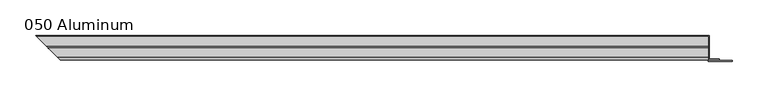
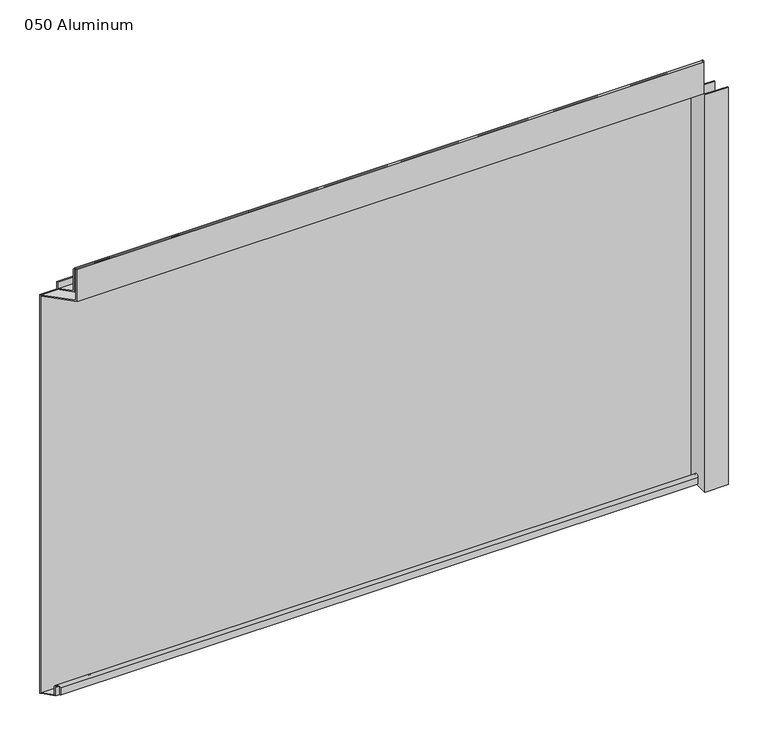
"""IFC4 building model written with IfcOpenShell, lengths in millimetres: plate geometry, 050 Aluminum."""

from ifc_helpers import new_model, si_unit, frame, origin, origin_with_axes, place, context, project, spatial, polyline, circle_curve, ellipse_curve, outline, extrude, source, transform, mapped, element, save
from ifc_brep_helpers import plane_surface, cylinder_surface, revolved_surface, advanced_brep


def plate_050_aluminum_607165d4(model_context):
    return source(origin(), model_context, "Body", "SolidModel", [
        advanced_brep(
        [(445.1549999, 16.6765477, 13.1458337), (445.1549999, 16.6765477, 2.786437), (445.1549999, 17.9464915, 2.786437), (445.1549999, 17.9464915, 13.1323356), (445.1549999, 21.7564743, 13.124237), (445.1549999, 21.7564743, 0.0), (445.1549999, 34.7980002, 0.0), (445.1549999, 34.7980002, 1.2693678), (445.1549999, 23.0264743, 1.2693678), (445.1549999, 23.0264743, 13.124237), (-475.8015477, 16.6765477, 13.1458337), (-475.8015477, 16.6765477, 2.786437), (-477.0714914, 17.9464915, 2.786437), (-477.0714914, 17.9464915, 13.1323356), (-480.8814742, 21.7564743, 13.124237), (-480.8814742, 21.7564743, 0.0), (-493.9229999, 34.798, 0.0), (-493.9230001, 34.7980002, 1.2693678), (-482.1514742, 23.0264743, 1.2693678), (-482.1514742, 23.0264743, 13.124237)],
        [
            (0, 1),
            (1, 2),
            (2, 3),
            (3, 4, circle_curve(frame((445.1549999, 19.8514743, 13.124237), z_axis=(-1.0, 0.0, 0.0), x_axis=(0.0, 0.0, -1.0)), 1.905)),
            (4, 5),
            (5, 6),
            (6, 7),
            (7, 8),
            (8, 9),
            (9, 0, circle_curve(frame((445.1549999, 19.8514743, 13.124237), z_axis=(1.0, 0.0, 0.0), x_axis=(0.0, 0.0, -1.0)), 3.175)),
            (0, 10),
            (10, 11),
            (11, 1),
            (11, 12),
            (12, 2),
            (12, 13),
            (13, 3),
            (13, 14, ellipse_curve(frame((-478.9764742, 19.8514743, 13.124237), z_axis=(-0.7071067811865466, -0.7071067811865485, 0.0), x_axis=(0.7071067811865485, -0.7071067811865466, 0.0)), 2.6940768, 1.905)),
            (14, 4),
            (14, 15),
            (15, 5),
            (15, 16),
            (16, 6),
            (16, 17),
            (17, 7),
            (17, 18),
            (18, 8),
            (18, 19),
            (19, 9),
            (19, 10, ellipse_curve(frame((-478.9764742, 19.8514743, 13.124237), z_axis=(0.7071067811865466, 0.7071067811865485, 0.0), x_axis=(-0.7071067811865485, 0.7071067811865466, 0.0)), 4.4901281, 3.175)),
        ],
        [
            plane_surface(frame((445.1549999, 36.068, 0.0), z_axis=(1.0, 0.0, 0.0), x_axis=(0.0, 0.0, 1.0))),
            plane_surface(frame((-493.9229999, 16.6765477, 13.1458337), z_axis=(0.0, -1.0, 0.0), x_axis=(1.0, 0.0, 0.0))),
            plane_surface(frame((-493.9229999, 16.6765477, 2.786437), z_axis=(0.0, 0.0, -1.0), x_axis=(1.0, 0.0, 0.0))),
            plane_surface(frame((-493.9229999, 17.9464915, 2.786437), z_axis=(0.0, 1.0, 0.0), x_axis=(1.0, 0.0, 0.0))),
            revolved_surface(polyline([(445.15499990000006, 19.8514743, 11.219237000000001), (-480.8814742, 19.8514743, 11.219237000000001)]), (-493.9229999, 19.8514743, 13.124237), (1.0, 0.0, 0.0)),
            plane_surface(frame((-493.9229999, 21.7564743, 13.124237), z_axis=(0.0, -1.0, 0.0), x_axis=(1.0, 0.0, 0.0))),
            plane_surface(frame((-493.9229999, 21.7564743, 0.0), z_axis=(0.0, 0.0, -1.0), x_axis=(1.0, 0.0, 0.0))),
            plane_surface(frame((-493.9229999, 34.7980002, 0.0), z_axis=(0.0, 1.0, 0.0), x_axis=(1.0, 0.0, 0.0))),
            plane_surface(frame((-493.9229999, 34.7980002, 1.2693678), z_axis=(0.0, 0.0, 1.0), x_axis=(1.0, 0.0, 0.0))),
            plane_surface(frame((-493.9229999, 23.0264743, 1.2693678), z_axis=(0.0, 1.0, 0.0), x_axis=(1.0, 0.0, 0.0))),
            cylinder_surface(frame((-493.9229999, 19.8514743, 13.124237), z_axis=(-1.0, 0.0, 0.0), x_axis=(0.0, 0.0, -1.0)), 3.175),
            plane_surface(frame((-495.1929999, 36.068, 795.4549971), z_axis=(-0.7071067811865466, -0.7071067811865485, 0.0), x_axis=(0.0, 0.0, -1.0))),
        ],
        [
            (0, [[1, 2, 3, 4, 5, 6, 7, 8, 9, 10]]),
            (1, [[11, 12, 13, -1]]),
            (2, [[-13, 14, 15, -2]]),
            (3, [[-15, 16, 17, -3]]),
            (4, [[-17, 18, 19, -4]]),
            (5, [[-19, 20, 21, -5]]),
            (6, [[-21, 22, 23, -6]]),
            (7, [[-23, 24, 25, -7]]),
            (8, [[-25, 26, 27, -8]]),
            (9, [[-27, 28, 29, -9]]),
            (10, [[-29, 30, -11, -10]]),
            (11, [[-30, -28, -26, -24, -22, -20, -18, -16, -14, -12]]),
        ],
    ),
        advanced_brep(
        [(445.1549999, 2.0574743, 656.7932001), (445.1549999, 2.0574743, 608.33), (445.1549999, 34.7980002, 608.33), (445.1549999, 34.7980002, 609.6000001), (445.1549999, 3.3274743, 609.6000001), (445.1549999, 3.3274743, 656.7932001), (445.1549999, 4.0894742, 656.7932001), (445.1549999, 4.0894742, 622.3), (445.1549999, 20.4864742, 622.3), (445.1549999, 20.4864742, 633.6538), (445.1549999, 19.2164743, 633.6538), (445.1549999, 19.2164743, 623.57), (445.1549999, 5.3594742, 623.57), (445.1549999, 5.3594742, 656.7932001), (-461.1824742, 2.0574743, 656.7932001), (-461.1824742, 2.0574743, 608.33), (-493.9229999, 34.798, 608.33), (-493.9230001, 34.7980002, 609.6000001), (-462.4524742, 3.3274743, 609.6000001), (-462.4524742, 3.3274743, 656.7932001), (-463.2144741, 4.0894742, 656.7932001), (-463.2144741, 4.0894742, 622.3), (-479.6114742, 20.4864742, 622.3), (-479.6114742, 20.4864742, 633.6538), (-478.3414742, 19.2164743, 633.6538), (-478.3414742, 19.2164743, 623.57), (-464.4844741, 5.3594742, 623.57), (-464.4844741, 5.3594742, 656.7932001)],
        [
            (0, 1),
            (1, 2),
            (2, 3),
            (3, 4),
            (4, 5),
            (5, 6, circle_curve(frame((445.1549999, 3.7084742, 656.7932001), z_axis=(-1.0, 0.0, 0.0), x_axis=(0.0, 0.0, -1.0)), 0.3809999)),
            (6, 7),
            (7, 8),
            (8, 9),
            (9, 10),
            (10, 11),
            (11, 12),
            (12, 13),
            (13, 0, circle_curve(frame((445.1549999, 3.7084742, 656.7932001), z_axis=(1.0, 0.0, 0.0), x_axis=(0.0, 0.0, -1.0)), 1.6509999)),
            (0, 14),
            (14, 15),
            (15, 1),
            (15, 16),
            (16, 2),
            (16, 17),
            (17, 3),
            (17, 18),
            (18, 4),
            (18, 19),
            (19, 5),
            (19, 20, ellipse_curve(frame((-462.8334742, 3.7084742, 656.7932001), z_axis=(-0.7071067811865466, -0.7071067811865485, 0.0), x_axis=(0.7071067811865485, -0.7071067811865466, 0.0)), 0.5388153, 0.3809999)),
            (20, 6),
            (20, 21),
            (21, 7),
            (21, 22),
            (22, 8),
            (22, 23),
            (23, 9),
            (23, 24),
            (24, 10),
            (24, 25),
            (25, 11),
            (25, 26),
            (26, 12),
            (26, 27),
            (27, 13),
            (27, 14, ellipse_curve(frame((-462.8334742, 3.7084742, 656.7932001), z_axis=(0.7071067811865466, 0.7071067811865485, 0.0), x_axis=(-0.7071067811865485, 0.7071067811865466, 0.0)), 2.3348665, 1.6509999)),
        ],
        [
            plane_surface(frame((445.1549999, 36.068, 609.6), z_axis=(1.0, 0.0, 0.0), x_axis=(0.0, 0.0, 1.0))),
            plane_surface(frame((-493.9229999, 2.0574743, 656.7932001), z_axis=(0.0, -1.0, 0.0), x_axis=(1.0, 0.0, 0.0))),
            plane_surface(frame((-493.9229999, 2.0574743, 608.33), z_axis=(0.0, 0.0, -1.0), x_axis=(1.0, 0.0, 0.0))),
            plane_surface(frame((-493.9229999, 34.7980002, 608.33), z_axis=(0.0, 1.0, 0.0), x_axis=(1.0, 0.0, 0.0))),
            plane_surface(frame((-493.9229999, 34.7980002, 609.6000001), z_axis=(0.0, 0.0, 1.0), x_axis=(1.0, 0.0, 0.0))),
            plane_surface(frame((-493.9229999, 3.3274743, 609.6000001), z_axis=(0.0, 1.0, 0.0), x_axis=(1.0, 0.0, 0.0))),
            revolved_surface(polyline([(445.15499990000006, 3.7084742, 656.4122002), (-463.2144741524371, 3.7084742, 656.4122002)]), (-493.9229999, 3.7084742, 656.7932001), (1.0, 0.0, 0.0)),
            plane_surface(frame((-493.9229999, 4.0894742, 656.7932001), z_axis=(0.0, -1.0, 0.0), x_axis=(1.0, 0.0, 0.0))),
            plane_surface(frame((-493.9229999, 4.0894742, 622.3), z_axis=(0.0, 0.0, -1.0), x_axis=(1.0, 0.0, 0.0))),
            plane_surface(frame((-493.9229999, 20.4864742, 622.3), z_axis=(0.0, 1.0, 0.0), x_axis=(1.0, 0.0, 0.0))),
            plane_surface(frame((-493.9229999, 20.4864742, 633.6538), z_axis=(0.0, 0.0, 1.0), x_axis=(1.0, 0.0, 0.0))),
            plane_surface(frame((-493.9229999, 19.2164743, 633.6538), z_axis=(0.0, -1.0, 0.0), x_axis=(1.0, 0.0, 0.0))),
            plane_surface(frame((-493.9229999, 19.2164743, 623.57), z_axis=(0.0, 0.0, 1.0), x_axis=(1.0, 0.0, 0.0))),
            plane_surface(frame((-493.9229999, 5.3594742, 623.57), z_axis=(0.0, 1.0, 0.0), x_axis=(1.0, 0.0, 0.0))),
            cylinder_surface(frame((-493.9229999, 3.7084742, 656.7932001), z_axis=(-1.0, 0.0, 0.0), x_axis=(0.0, 0.0, -1.0)), 1.6509999),
            plane_surface(frame((-495.1929999, 36.068, 795.4549971), z_axis=(-0.7071067811865466, -0.7071067811865485, 0.0), x_axis=(0.0, 0.0, -1.0))),
        ],
        [
            (0, [[1, 2, 3, 4, 5, 6, 7, 8, 9, 10, 11, 12, 13, 14]]),
            (1, [[15, 16, 17, -1]]),
            (2, [[-17, 18, 19, -2]]),
            (3, [[-19, 20, 21, -3]]),
            (4, [[-21, 22, 23, -4]]),
            (5, [[-23, 24, 25, -5]]),
            (6, [[-25, 26, 27, -6]]),
            (7, [[-27, 28, 29, -7]]),
            (8, [[-29, 30, 31, -8]]),
            (9, [[-31, 32, 33, -9]]),
            (10, [[-33, 34, 35, -10]]),
            (11, [[-35, 36, 37, -11]]),
            (12, [[-37, 38, 39, -12]]),
            (13, [[-39, 40, 41, -13]]),
            (14, [[-41, 42, -15, -14]]),
            (15, [[-42, -40, -38, -36, -34, -32, -30, -28, -26, -24, -22, -20, -18, -16]]),
        ],
    ),
        extrude(outline(polyline([(446.4249999, 34.7980001), (-493.923, 34.7980001), (-495.1929999, 36.068), (446.4249999, 36.068), (446.4249999, 34.7980001)])), origin_with_axes(), (0.0, 0.0, 1.0), 609.6),
        extrude(outline(polyline([(446.4249999, 1.2699999), (478.9370856, 1.2699999), (478.9370856, 0.0), (445.155, 0.0), (445.155, 34.7980002), (446.4249999, 34.7980002), (446.4249999, 1.2699999)])), origin_with_axes(), (0.0, 0.0, 1.0), 608.33),
        extrude(outline(polyline([(445.1549999, 3.3274743), (460.9029998, 3.3274743), (460.9029998, 2.0574743), (445.1549999, 2.0574743), (445.1549999, 3.3274743)])), origin_with_axes(), (0.0, 0.0, 1.0), 622.3),
    ])


if __name__ == "__main__":
    model = new_model("IFC4")
    model_context = context("Model", 3, world=origin())
    ifc_project = project(units=[si_unit("LENGTHUNIT", "METRE", prefix="MILLI")], contexts=[model_context])
    site = spatial("IfcSite", under=ifc_project)
    building = spatial("IfcBuilding", under=site)
    placement = place(None, origin())
    plate_050_aluminum_shape = plate_050_aluminum_607165d4(model_context)
    element("IfcPlate", 1, ObjectType="050 Aluminum", at=placement, inside=building, context=model_context, shape_type="MappedRepresentation", body=[
        mapped(plate_050_aluminum_shape, transform((0.0, 0.0, 0.0), x_axis=(1.0, 0.0, 0.0), y_axis=(0.0, 1.0, 0.0), z_axis=(0.0, 0.0, 1.0))),
    ])
    save(model, "model.ifc")
